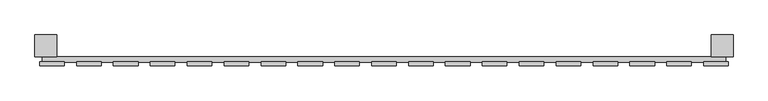
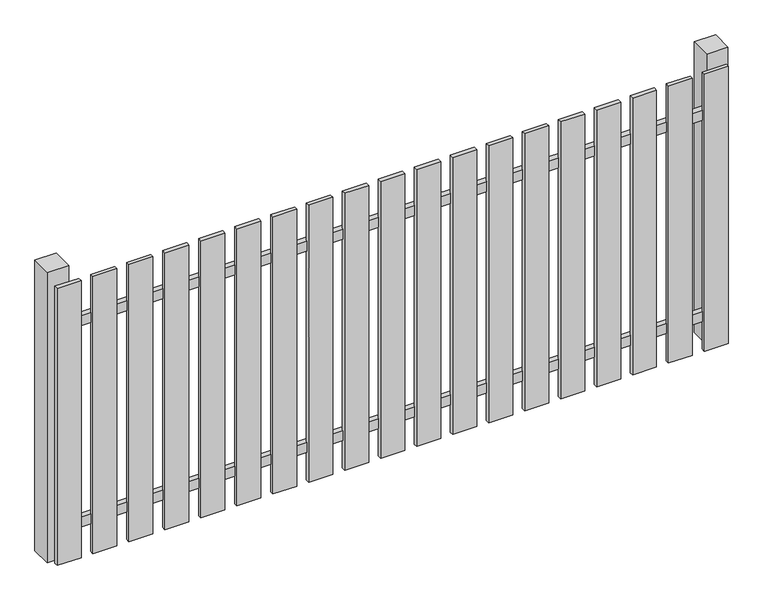
"""IFC4 building model written with IfcOpenShell, lengths in millimetres: railing geometry."""

from ifc_helpers import new_model, si_unit, frame, origin, origin_with_axes, place, context, project, spatial, polyline, outline, extrude, source, transform, mapped, element, save


def railing_8dc14b49(model_context):
    return source(origin(), model_context, "Body", "SweptSolid", [
        extrude(outline(polyline([(1287.4299228, -95939.0267127), (1287.4299228, -95919.0267127), (3787.4299228, -95919.0267127), (3787.4299228, -95939.0267127), (1287.4299228, -95939.0267127)])), frame((0.0, 0.0, 110.0), z_axis=(0.0, 0.0, 1.0), x_axis=(1.0, 0.0, 0.0)), (0.0, 0.0, 1.0), 40.0),
        extrude(outline(polyline([(1287.4299228, -95939.0267127), (1287.4299228, -95919.0267127), (3787.4299228, -95919.0267127), (3787.4299228, -95939.0267127), (1287.4299228, -95939.0267127)])), frame((0.0, 0.0, 910.0), z_axis=(0.0, 0.0, 1.0), x_axis=(1.0, 0.0, 0.0)), (0.0, 0.0, 1.0), 40.0),
        extrude(outline(polyline([(3707.4299228, -95952.5267127), (3707.4299228, -95937.5267127), (3797.4299228, -95937.5267127), (3797.4299228, -95952.5267127), (3707.4299228, -95952.5267127)])), origin_with_axes(), (0.0, 0.0, 1.0), 1100.0),
        extrude(outline(polyline([(3572.4299228, -95952.5267127), (3572.4299228, -95937.5267127), (3662.4299228, -95937.5267127), (3662.4299228, -95952.5267127), (3572.4299228, -95952.5267127)])), origin_with_axes(), (0.0, 0.0, 1.0), 1100.0),
        extrude(outline(polyline([(3437.4299228, -95952.5267127), (3437.4299228, -95937.5267127), (3527.4299228, -95937.5267127), (3527.4299228, -95952.5267127), (3437.4299228, -95952.5267127)])), origin_with_axes(), (0.0, 0.0, 1.0), 1100.0),
        extrude(outline(polyline([(3302.4299228, -95952.5267127), (3302.4299228, -95937.5267127), (3392.4299228, -95937.5267127), (3392.4299228, -95952.5267127), (3302.4299228, -95952.5267127)])), origin_with_axes(), (0.0, 0.0, 1.0), 1100.0),
        extrude(outline(polyline([(3167.4299228, -95952.5267127), (3167.4299228, -95937.5267127), (3257.4299228, -95937.5267127), (3257.4299228, -95952.5267127), (3167.4299228, -95952.5267127)])), origin_with_axes(), (0.0, 0.0, 1.0), 1100.0),
        extrude(outline(polyline([(3032.4299228, -95952.5267127), (3032.4299228, -95937.5267127), (3122.4299228, -95937.5267127), (3122.4299228, -95952.5267127), (3032.4299228, -95952.5267127)])), origin_with_axes(), (0.0, 0.0, 1.0), 1100.0),
        extrude(outline(polyline([(2897.4299228, -95952.5267127), (2897.4299228, -95937.5267127), (2987.4299228, -95937.5267127), (2987.4299228, -95952.5267127), (2897.4299228, -95952.5267127)])), origin_with_axes(), (0.0, 0.0, 1.0), 1100.0),
        extrude(outline(polyline([(2762.4299228, -95952.5267127), (2762.4299228, -95937.5267127), (2852.4299228, -95937.5267127), (2852.4299228, -95952.5267127), (2762.4299228, -95952.5267127)])), origin_with_axes(), (0.0, 0.0, 1.0), 1100.0),
        extrude(outline(polyline([(2627.4299228, -95952.5267127), (2627.4299228, -95937.5267127), (2717.4299228, -95937.5267127), (2717.4299228, -95952.5267127), (2627.4299228, -95952.5267127)])), origin_with_axes(), (0.0, 0.0, 1.0), 1100.0),
        extrude(outline(polyline([(2492.4299228, -95952.5267127), (2492.4299228, -95937.5267127), (2582.4299228, -95937.5267127), (2582.4299228, -95952.5267127), (2492.4299228, -95952.5267127)])), origin_with_axes(), (0.0, 0.0, 1.0), 1100.0),
        extrude(outline(polyline([(2357.4299228, -95952.5267127), (2357.4299228, -95937.5267127), (2447.4299228, -95937.5267127), (2447.4299228, -95952.5267127), (2357.4299228, -95952.5267127)])), origin_with_axes(), (0.0, 0.0, 1.0), 1100.0),
        extrude(outline(polyline([(2222.4299228, -95952.5267127), (2222.4299228, -95937.5267127), (2312.4299228, -95937.5267127), (2312.4299228, -95952.5267127), (2222.4299228, -95952.5267127)])), origin_with_axes(), (0.0, 0.0, 1.0), 1100.0),
        extrude(outline(polyline([(2087.4299228, -95952.5267127), (2087.4299228, -95937.5267127), (2177.4299228, -95937.5267127), (2177.4299228, -95952.5267127), (2087.4299228, -95952.5267127)])), origin_with_axes(), (0.0, 0.0, 1.0), 1100.0),
        extrude(outline(polyline([(1952.4299228, -95952.5267127), (1952.4299228, -95937.5267127), (2042.4299228, -95937.5267127), (2042.4299228, -95952.5267127), (1952.4299228, -95952.5267127)])), origin_with_axes(), (0.0, 0.0, 1.0), 1100.0),
        extrude(outline(polyline([(1817.4299228, -95952.5267127), (1817.4299228, -95937.5267127), (1907.4299228, -95937.5267127), (1907.4299228, -95952.5267127), (1817.4299228, -95952.5267127)])), origin_with_axes(), (0.0, 0.0, 1.0), 1100.0),
        extrude(outline(polyline([(1682.4299228, -95952.5267127), (1682.4299228, -95937.5267127), (1772.4299228, -95937.5267127), (1772.4299228, -95952.5267127), (1682.4299228, -95952.5267127)])), origin_with_axes(), (0.0, 0.0, 1.0), 1100.0),
        extrude(outline(polyline([(1547.4299228, -95952.5267127), (1547.4299228, -95937.5267127), (1637.4299228, -95937.5267127), (1637.4299228, -95952.5267127), (1547.4299228, -95952.5267127)])), origin_with_axes(), (0.0, 0.0, 1.0), 1100.0),
        extrude(outline(polyline([(1412.4299228, -95952.5267127), (1412.4299228, -95937.5267127), (1502.4299228, -95937.5267127), (1502.4299228, -95952.5267127), (1412.4299228, -95952.5267127)])), origin_with_axes(), (0.0, 0.0, 1.0), 1100.0),
        extrude(outline(polyline([(1277.4299228, -95952.5267127), (1277.4299228, -95937.5267127), (1367.4299228, -95937.5267127), (1367.4299228, -95952.5267127), (1277.4299228, -95952.5267127)])), origin_with_axes(), (0.0, 0.0, 1.0), 1100.0),
        extrude(outline(polyline([(3734.9299228, -95839.0267127), (3814.9299228, -95839.0267127), (3814.9299228, -95919.0267127), (3734.9299228, -95919.0267127), (3734.9299228, -95839.0267127)])), frame((0.0, 0.0, -4.0), z_axis=(0.0, 0.0, 1.0), x_axis=(1.0, 0.0, 0.0)), (0.0, 0.0, 1.0), 1154.0),
        extrude(outline(polyline([(1259.9299228, -95839.0267127), (1339.9299228, -95839.0267127), (1339.9299228, -95919.0267127), (1259.9299228, -95919.0267127), (1259.9299228, -95839.0267127)])), frame((0.0, 0.0, -4.0), z_axis=(0.0, 0.0, 1.0), x_axis=(1.0, 0.0, 0.0)), (0.0, 0.0, 1.0), 1154.0),
    ])


if __name__ == "__main__":
    model = new_model("IFC4")
    model_context = context("Model", 3, world=origin())
    ifc_project = project(units=[si_unit("LENGTHUNIT", "METRE", prefix="MILLI")], contexts=[model_context])
    site = spatial("IfcSite", under=ifc_project)
    building = spatial("IfcBuilding", under=site)
    placement = place(None, origin())
    railing_shape = railing_8dc14b49(model_context)
    element("IfcRailing", 1, at=placement, inside=building, context=model_context, shape_type="MappedRepresentation", body=[
        mapped(railing_shape, transform((0.0, 0.0, 0.0), x_axis=(1.0, 0.0, 0.0), y_axis=(0.0, 1.0, 0.0), z_axis=(0.0, 0.0, 1.0))),
    ])
    save(model, "model.ifc")
